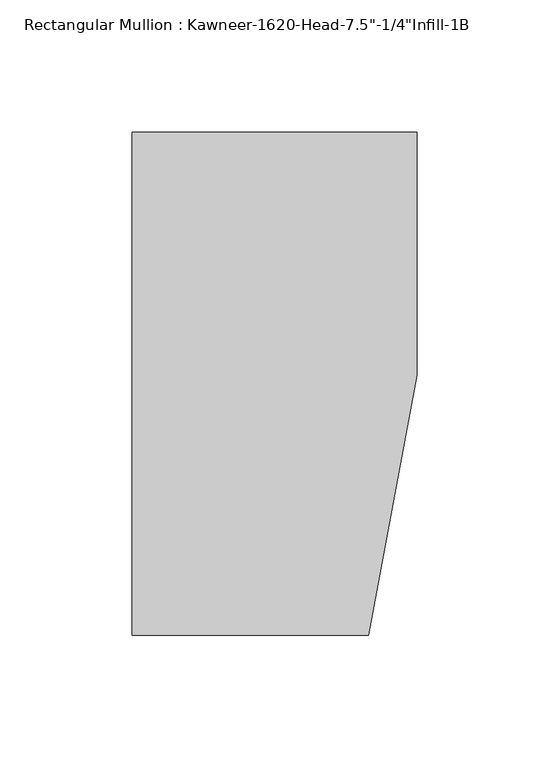
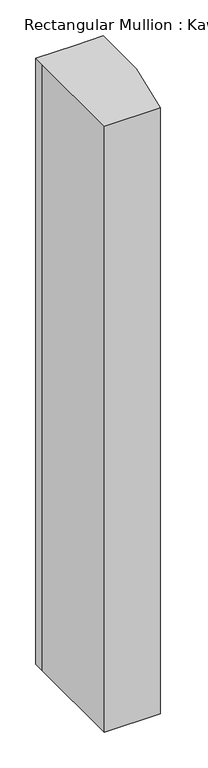
"""IFC4 building model written with IfcOpenShell, lengths in millimetres: member geometry."""

import ifcopenshell
import ifcopenshell.guid

model = None  # the IFC model being written
_history = None  # IfcOwnerHistory: only IFC2X3 demands one
_inside = {}  # id of a spatial element -> (the spatial element, [elements in it])
_under = {}  # id of a project, library or spatial element -> (it, [spatial elements below it])
_declared = {}  # id of a project -> (the project, [libraries it declares])
_typed = {}  # id of a type object -> (the type object, [elements of that type])
_made_of = {}  # id of a material, layer set ... -> (it, [elements and type objects made of it])


def new_model(schema):
    """Start an empty IFC model of exactly this schema.

    Asked for "IFC4X3", IfcOpenShell would pick the latest addendum, in which some entities
    have other attributes; the version numbers below select the first issue.
    IFC2X3 requires an IfcOwnerHistory on every rooted entity: one is made here for all.
    """
    global model, _history
    if schema == "IFC4X3":
        model = ifcopenshell.file(schema_version=(4, 3, 0, 0))
    else:
        model = ifcopenshell.file(schema=schema)
    _inside.clear()
    _under.clear()
    _declared.clear()
    _typed.clear()
    _made_of.clear()
    _history = None
    if model.schema == "IFC2X3":
        org = make("IfcOrganization", Name="unknown")
        user = make(
            "IfcPersonAndOrganization",
            ThePerson=make("IfcPerson", FamilyName="unknown"),
            TheOrganization=org,
        )
        app = make(
            "IfcApplication",
            ApplicationDeveloper=org,
            Version="unknown",
            ApplicationFullName="unknown",
            ApplicationIdentifier="unknown",
        )
        _history = make(
            "IfcOwnerHistory",
            OwningUser=user,
            OwningApplication=app,
            ChangeAction="ADDED",
            CreationDate=0,
        )
    return model


def make(cls, **values):
    """One entity of the class cls with the attributes given. An attribute that is None is left unset."""
    return model.create_entity(
        cls, **{name: value for name, value in values.items() if value is not None}
    )


def rooted(cls, **values):
    """An entity with a GlobalId (a new one), such as an element, a storey or a relation."""
    return make(cls, GlobalId=ifcopenshell.guid.new(), OwnerHistory=_history, **values)


def si_unit(unit_type, name, prefix=None):
    """IfcSIUnit, for example si_unit("LENGTHUNIT", "METRE", prefix="MILLI")."""
    return make("IfcSIUnit", UnitType=unit_type, Prefix=prefix, Name=name)


def assignment(units):
    """IfcUnitAssignment: the units of a project."""
    return None if units is None else make("IfcUnitAssignment", Units=units)


def point(xyz):
    """IfcCartesianPoint."""
    return None if xyz is None else make("IfcCartesianPoint", Coordinates=xyz)


def direction(xyz):
    """IfcDirection."""
    return None if xyz is None else make("IfcDirection", DirectionRatios=xyz)


def frame(location, z_axis=None, x_axis=None):
    """IfcAxis2Placement3D, a coordinate frame: its origin and axes. An axis left out is left unset."""
    return make(
        "IfcAxis2Placement3D",
        Location=point(location),
        Axis=direction(z_axis),
        RefDirection=direction(x_axis),
    )


def origin():
    """The frame at (0, 0, 0) with its axes left unset."""
    return frame((0.0, 0.0, 0.0))


def place(relative_to, where):
    """IfcLocalPlacement: puts the frame where relative to a parent placement (None: the world)."""
    return make(
        "IfcLocalPlacement", PlacementRelTo=relative_to, RelativePlacement=where
    )


def context(
    kind, dimensions, precision=None, world=None, true_north=None, identifier=None
):
    """IfcGeometricRepresentationContext, for example the 3D "Model" context."""
    return make(
        "IfcGeometricRepresentationContext",
        ContextIdentifier=identifier,
        ContextType=kind,
        CoordinateSpaceDimension=dimensions,
        Precision=precision,
        WorldCoordinateSystem=world,
        TrueNorth=true_north,
    )


def project(units=None, contexts=None):
    """IfcProject with its units and contexts."""
    return rooted(
        "IfcProject",
        Name="project",
        RepresentationContexts=contexts,
        UnitsInContext=assignment(units),
    )


def spatial(cls, under=None, at=None, **own):
    """A site, building, storey or space (cls), placed at a placement, below another one or the project."""
    s = rooted(cls, ObjectPlacement=at, **own)
    if under is not None:
        _under.setdefault(under.id(), (under, []))[1].append(s)
    return s


def polyline(points):
    """IfcPolyline through the points."""
    return make("IfcPolyline", Points=[point(p) for p in points])


def outline(outer, holes=None, kind="AREA"):
    """IfcArbitraryClosedProfileDef: a profile drawn as a closed curve; with holes, ...WithVoids."""
    if holes is None:
        return make("IfcArbitraryClosedProfileDef", ProfileType=kind, OuterCurve=outer)
    return make(
        "IfcArbitraryProfileDefWithVoids",
        ProfileType=kind,
        OuterCurve=outer,
        InnerCurves=holes,
    )


def extrude(swept, where, along, depth):
    """IfcExtrudedAreaSolid: the profile swept, set in the frame where, extruded along a direction by depth."""
    return make(
        "IfcExtrudedAreaSolid",
        SweptArea=swept,
        Position=where,
        ExtrudedDirection=direction(along),
        Depth=depth,
    )


def shape(context_of_items, identifier, shape_type, items):
    """IfcShapeRepresentation: the items that make up one representation, for example the "Body"."""
    return make(
        "IfcShapeRepresentation",
        ContextOfItems=context_of_items,
        RepresentationIdentifier=identifier,
        RepresentationType=shape_type,
        Items=items,
    )


def source(mapping_origin, context_of_items, identifier, shape_type, items):
    """IfcRepresentationMap: a shape defined once, which mapped items show again and again."""
    return make(
        "IfcRepresentationMap",
        MappingOrigin=mapping_origin,
        MappedRepresentation=shape(context_of_items, identifier, shape_type, items),
    )


def transform(
    local_origin,
    x_axis=None,
    y_axis=None,
    z_axis=None,
    scale=None,
    scale2=None,
    scale3=None,
    uniform=True,
):
    """IfcCartesianTransformationOperator3D, or its non-uniform kind. x_axis, y_axis, z_axis: its Axis1, 2, 3."""
    if uniform:
        return make(
            "IfcCartesianTransformationOperator3D",
            Axis1=direction(x_axis),
            Axis2=direction(y_axis),
            LocalOrigin=point(local_origin),
            Scale=scale,
            Axis3=direction(z_axis),
        )
    return make(
        "IfcCartesianTransformationOperator3DnonUniform",
        Axis1=direction(x_axis),
        Axis2=direction(y_axis),
        LocalOrigin=point(local_origin),
        Scale=scale,
        Axis3=direction(z_axis),
        Scale2=scale2,
        Scale3=scale3,
    )


def mapped(mapping_source, mapping_target):
    """IfcMappedItem: shows the shape of a source again, moved by a transform."""
    return make(
        "IfcMappedItem", MappingSource=mapping_source, MappingTarget=mapping_target
    )


def made_of(thing, what):
    """Note that an element or type object is made of a material, layer set ...; save() writes the relation."""
    if what is not None:
        _made_of.setdefault(what.id(), (what, []))[1].append(thing)
    return thing


def element(
    cls,
    number,
    at=None,
    inside=None,
    cuts=None,
    type_object=None,
    material=None,
    context=None,
    identifier="Body",
    shape_type=None,
    held_by="IfcProductDefinitionShape",
    body=None,
    shapes=None,
    **own,
):
    """One element of the class cls, such as IfcWall. Its Tag is "e" and its number.

    at: its placement. inside: the storey or other place that contains it. cuts: it is an
    opening in that element (IfcRelVoidsElement). A single representation is given by context,
    identifier, shape_type and body (its items); several are given by shapes. held_by: the class
    of the entity that holds the representations. save() writes the other relations.
    """
    e = rooted(cls, Tag="e%d" % number, ObjectPlacement=at, **own)
    if body is not None:
        shapes = [shape(context, identifier, shape_type, body)]
    if shapes is not None:
        e.Representation = make(held_by, Representations=shapes)
    if inside is not None:
        _inside.setdefault(inside.id(), (inside, []))[1].append(e)
    if cuts is not None:
        rooted(
            "IfcRelVoidsElement", RelatingBuildingElement=cuts, RelatedOpeningElement=e
        )
    if type_object is not None:
        _typed.setdefault(type_object.id(), (type_object, []))[1].append(e)
    return made_of(e, material)


def aggregate(whole, parts):
    """IfcRelAggregates: a whole, such as a stair, and the parts it consists of."""
    return rooted("IfcRelAggregates", RelatingObject=whole, RelatedObjects=parts)


def save(model, path):
    """Write the relations noted so far, then the file.

    IfcRelAggregates (storeys below a building ...), IfcRelContainedInSpatialStructure (elements
    in a storey), IfcRelDefinesByType, IfcRelAssociatesMaterial and IfcRelDeclares: one each for
    every whole, place, type object, material and project.
    """
    for whole, parts in _under.values():
        aggregate(whole, parts)
    for where, things in _inside.values():
        rooted(
            "IfcRelContainedInSpatialStructure",
            RelatedElements=things,
            RelatingStructure=where,
        )
    for kind, things in _typed.values():
        rooted("IfcRelDefinesByType", RelatedObjects=things, RelatingType=kind)
    for what, things in _made_of.values():
        rooted("IfcRelAssociatesMaterial", RelatedObjects=things, RelatingMaterial=what)
    for by, libraries in _declared.values():
        rooted("IfcRelDeclares", RelatingContext=by, RelatedDefinitions=libraries)
    model.write(path)


def member_750502d0(model_context):
    return source(origin(), model_context, "Body", "SweptSolid", [
        extrude(outline(polyline([(-107.95, 10.3845466), (-107.95, 28.575), (-44.1519366, 28.575), (0.0, 28.575), (0.0, -63.5), (-18.3538271, -161.925), (-107.95, -161.925), (-107.95, 10.3845466)])), frame((0.0, 0.0, -1028.7), z_axis=(0.0, 0.0, 1.0), x_axis=(1.0, 0.0, 0.0)), (0.0, 0.0, 1.0), 1028.7),
    ])


if __name__ == "__main__":
    model = new_model("IFC4")
    model_context = context("Model", 3, world=origin())
    ifc_project = project(units=[si_unit("LENGTHUNIT", "METRE", prefix="MILLI")], contexts=[model_context])
    site = spatial("IfcSite", under=ifc_project)
    building = spatial("IfcBuilding", under=site)
    placement = place(None, origin())
    member_shape = member_750502d0(model_context)
    element("IfcMember", 1, ObjectType="Rectangular Mullion : Kawneer-1620-Head-7.5\"-1/4\"Infill-1B", at=placement, inside=building, context=model_context, shape_type="MappedRepresentation", body=[
        mapped(member_shape, transform((0.0, 0.0, 0.0), x_axis=(1.0, 0.0, 0.0), y_axis=(0.0, 1.0, 0.0), z_axis=(0.0, 0.0, 1.0))),
    ])
    save(model, "model.ifc")
